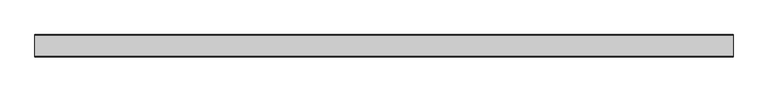
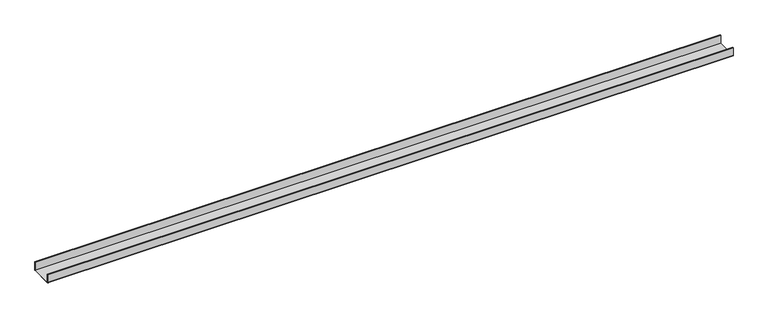
"""IFC4 building model written with IfcOpenShell, lengths in millimetres: proxy geometry."""

import ifcopenshell
import ifcopenshell.guid

model = None  # the IFC model being written
_history = None  # IfcOwnerHistory: only IFC2X3 demands one
_inside = {}  # id of a spatial element -> (the spatial element, [elements in it])
_under = {}  # id of a project, library or spatial element -> (it, [spatial elements below it])
_declared = {}  # id of a project -> (the project, [libraries it declares])
_typed = {}  # id of a type object -> (the type object, [elements of that type])
_made_of = {}  # id of a material, layer set ... -> (it, [elements and type objects made of it])


def new_model(schema):
    """Start an empty IFC model of exactly this schema.

    Asked for "IFC4X3", IfcOpenShell would pick the latest addendum, in which some entities
    have other attributes; the version numbers below select the first issue.
    IFC2X3 requires an IfcOwnerHistory on every rooted entity: one is made here for all.
    """
    global model, _history
    if schema == "IFC4X3":
        model = ifcopenshell.file(schema_version=(4, 3, 0, 0))
    else:
        model = ifcopenshell.file(schema=schema)
    _inside.clear()
    _under.clear()
    _declared.clear()
    _typed.clear()
    _made_of.clear()
    _history = None
    if model.schema == "IFC2X3":
        org = make("IfcOrganization", Name="unknown")
        user = make(
            "IfcPersonAndOrganization",
            ThePerson=make("IfcPerson", FamilyName="unknown"),
            TheOrganization=org,
        )
        app = make(
            "IfcApplication",
            ApplicationDeveloper=org,
            Version="unknown",
            ApplicationFullName="unknown",
            ApplicationIdentifier="unknown",
        )
        _history = make(
            "IfcOwnerHistory",
            OwningUser=user,
            OwningApplication=app,
            ChangeAction="ADDED",
            CreationDate=0,
        )
    return model


def make(cls, **values):
    """One entity of the class cls with the attributes given. An attribute that is None is left unset."""
    return model.create_entity(
        cls, **{name: value for name, value in values.items() if value is not None}
    )


def rooted(cls, **values):
    """An entity with a GlobalId (a new one), such as an element, a storey or a relation."""
    return make(cls, GlobalId=ifcopenshell.guid.new(), OwnerHistory=_history, **values)


def si_unit(unit_type, name, prefix=None):
    """IfcSIUnit, for example si_unit("LENGTHUNIT", "METRE", prefix="MILLI")."""
    return make("IfcSIUnit", UnitType=unit_type, Prefix=prefix, Name=name)


def assignment(units):
    """IfcUnitAssignment: the units of a project."""
    return None if units is None else make("IfcUnitAssignment", Units=units)


def point(xyz):
    """IfcCartesianPoint."""
    return None if xyz is None else make("IfcCartesianPoint", Coordinates=xyz)


def direction(xyz):
    """IfcDirection."""
    return None if xyz is None else make("IfcDirection", DirectionRatios=xyz)


def frame(location, z_axis=None, x_axis=None):
    """IfcAxis2Placement3D, a coordinate frame: its origin and axes. An axis left out is left unset."""
    return make(
        "IfcAxis2Placement3D",
        Location=point(location),
        Axis=direction(z_axis),
        RefDirection=direction(x_axis),
    )


def frame_2d(location, x_axis=None):
    """IfcAxis2Placement2D, a coordinate frame in the plane: its origin and x axis."""
    return make(
        "IfcAxis2Placement2D", Location=point(location), RefDirection=direction(x_axis)
    )


def origin():
    """The frame at (0, 0, 0) with its axes left unset."""
    return frame((0.0, 0.0, 0.0))


def place(relative_to, where):
    """IfcLocalPlacement: puts the frame where relative to a parent placement (None: the world)."""
    return make(
        "IfcLocalPlacement", PlacementRelTo=relative_to, RelativePlacement=where
    )


def context(
    kind, dimensions, precision=None, world=None, true_north=None, identifier=None
):
    """IfcGeometricRepresentationContext, for example the 3D "Model" context."""
    return make(
        "IfcGeometricRepresentationContext",
        ContextIdentifier=identifier,
        ContextType=kind,
        CoordinateSpaceDimension=dimensions,
        Precision=precision,
        WorldCoordinateSystem=world,
        TrueNorth=true_north,
    )


def project(units=None, contexts=None):
    """IfcProject with its units and contexts."""
    return rooted(
        "IfcProject",
        Name="project",
        RepresentationContexts=contexts,
        UnitsInContext=assignment(units),
    )


def spatial(cls, under=None, at=None, **own):
    """A site, building, storey or space (cls), placed at a placement, below another one or the project."""
    s = rooted(cls, ObjectPlacement=at, **own)
    if under is not None:
        _under.setdefault(under.id(), (under, []))[1].append(s)
    return s


def polyline(points):
    """IfcPolyline through the points."""
    return make("IfcPolyline", Points=[point(p) for p in points])


def circle_curve(where, radius):
    """IfcCircle in the frame where."""
    return make("IfcCircle", Position=where, Radius=radius)


def trimmed(basis, trim1, trim2, sense, master):
    """IfcTrimmedCurve: the piece of a basis curve between two trims."""
    return make(
        "IfcTrimmedCurve",
        BasisCurve=basis,
        Trim1=trim1,
        Trim2=trim2,
        SenseAgreement=sense,
        MasterRepresentation=master,
    )


def segment(curve, same_sense, transition):
    """IfcCompositeCurveSegment."""
    return make(
        "IfcCompositeCurveSegment",
        Transition=transition,
        SameSense=same_sense,
        ParentCurve=curve,
    )


def composite_curve(segments, self_intersect=None):
    """IfcCompositeCurve: segments joined end to end."""
    return make("IfcCompositeCurve", Segments=segments, SelfIntersect=self_intersect)


def outline(outer, holes=None, kind="AREA"):
    """IfcArbitraryClosedProfileDef: a profile drawn as a closed curve; with holes, ...WithVoids."""
    if holes is None:
        return make("IfcArbitraryClosedProfileDef", ProfileType=kind, OuterCurve=outer)
    return make(
        "IfcArbitraryProfileDefWithVoids",
        ProfileType=kind,
        OuterCurve=outer,
        InnerCurves=holes,
    )


def extrude(swept, where, along, depth):
    """IfcExtrudedAreaSolid: the profile swept, set in the frame where, extruded along a direction by depth."""
    return make(
        "IfcExtrudedAreaSolid",
        SweptArea=swept,
        Position=where,
        ExtrudedDirection=direction(along),
        Depth=depth,
    )


def shape(context_of_items, identifier, shape_type, items):
    """IfcShapeRepresentation: the items that make up one representation, for example the "Body"."""
    return make(
        "IfcShapeRepresentation",
        ContextOfItems=context_of_items,
        RepresentationIdentifier=identifier,
        RepresentationType=shape_type,
        Items=items,
    )


def source(mapping_origin, context_of_items, identifier, shape_type, items):
    """IfcRepresentationMap: a shape defined once, which mapped items show again and again."""
    return make(
        "IfcRepresentationMap",
        MappingOrigin=mapping_origin,
        MappedRepresentation=shape(context_of_items, identifier, shape_type, items),
    )


def transform(
    local_origin,
    x_axis=None,
    y_axis=None,
    z_axis=None,
    scale=None,
    scale2=None,
    scale3=None,
    uniform=True,
):
    """IfcCartesianTransformationOperator3D, or its non-uniform kind. x_axis, y_axis, z_axis: its Axis1, 2, 3."""
    if uniform:
        return make(
            "IfcCartesianTransformationOperator3D",
            Axis1=direction(x_axis),
            Axis2=direction(y_axis),
            LocalOrigin=point(local_origin),
            Scale=scale,
            Axis3=direction(z_axis),
        )
    return make(
        "IfcCartesianTransformationOperator3DnonUniform",
        Axis1=direction(x_axis),
        Axis2=direction(y_axis),
        LocalOrigin=point(local_origin),
        Scale=scale,
        Axis3=direction(z_axis),
        Scale2=scale2,
        Scale3=scale3,
    )


def mapped(mapping_source, mapping_target):
    """IfcMappedItem: shows the shape of a source again, moved by a transform."""
    return make(
        "IfcMappedItem", MappingSource=mapping_source, MappingTarget=mapping_target
    )


def made_of(thing, what):
    """Note that an element or type object is made of a material, layer set ...; save() writes the relation."""
    if what is not None:
        _made_of.setdefault(what.id(), (what, []))[1].append(thing)
    return thing


def element(
    cls,
    number,
    at=None,
    inside=None,
    cuts=None,
    type_object=None,
    material=None,
    context=None,
    identifier="Body",
    shape_type=None,
    held_by="IfcProductDefinitionShape",
    body=None,
    shapes=None,
    **own,
):
    """One element of the class cls, such as IfcWall. Its Tag is "e" and its number.

    at: its placement. inside: the storey or other place that contains it. cuts: it is an
    opening in that element (IfcRelVoidsElement). A single representation is given by context,
    identifier, shape_type and body (its items); several are given by shapes. held_by: the class
    of the entity that holds the representations. save() writes the other relations.
    """
    e = rooted(cls, Tag="e%d" % number, ObjectPlacement=at, **own)
    if body is not None:
        shapes = [shape(context, identifier, shape_type, body)]
    if shapes is not None:
        e.Representation = make(held_by, Representations=shapes)
    if inside is not None:
        _inside.setdefault(inside.id(), (inside, []))[1].append(e)
    if cuts is not None:
        rooted(
            "IfcRelVoidsElement", RelatingBuildingElement=cuts, RelatedOpeningElement=e
        )
    if type_object is not None:
        _typed.setdefault(type_object.id(), (type_object, []))[1].append(e)
    return made_of(e, material)


def aggregate(whole, parts):
    """IfcRelAggregates: a whole, such as a stair, and the parts it consists of."""
    return rooted("IfcRelAggregates", RelatingObject=whole, RelatedObjects=parts)


def save(model, path):
    """Write the relations noted so far, then the file.

    IfcRelAggregates (storeys below a building ...), IfcRelContainedInSpatialStructure (elements
    in a storey), IfcRelDefinesByType, IfcRelAssociatesMaterial and IfcRelDeclares: one each for
    every whole, place, type object, material and project.
    """
    for whole, parts in _under.values():
        aggregate(whole, parts)
    for where, things in _inside.values():
        rooted(
            "IfcRelContainedInSpatialStructure",
            RelatedElements=things,
            RelatingStructure=where,
        )
    for kind, things in _typed.values():
        rooted("IfcRelDefinesByType", RelatedObjects=things, RelatingType=kind)
    for what, things in _made_of.values():
        rooted("IfcRelAssociatesMaterial", RelatedObjects=things, RelatingMaterial=what)
    for by, libraries in _declared.values():
        rooted("IfcRelDeclares", RelatingContext=by, RelatedDefinitions=libraries)
    model.write(path)


def generic_models_b1deec1d(model_context):
    return source(origin(), model_context, "Body", "SweptSolid", [
        extrude(outline(composite_curve([segment(polyline([(-50.5, 2.0), (-50.5, 40.0), (-48.5, 40.0), (-48.5, 2.0), (48.5, 2.0), (48.5, 40.0), (50.5, 40.0), (50.5, 2.0)]), True, "CONTINUOUS"), segment(trimmed(circle_curve(frame_2d((48.5, 2.0)), 2.0), [point((50.5, 2.0))], [point((48.5, 0.0))], False, "CARTESIAN"), True, "CONTINUOUS"), segment(polyline([(48.5, 0.0), (-48.5, 0.0)]), True, "CONTINUOUS"), segment(trimmed(circle_curve(frame_2d((-48.5, 2.0)), 2.0), [point((-48.5, 0.0))], [point((-50.5, 2.0))], False, "CARTESIAN"), True, "CONTINUOUS")], self_intersect=False)), frame((0.0, 0.0, 0.0), z_axis=(1.0, 0.0, 0.0), x_axis=(0.0, 1.0, 0.0)), (0.0, 0.0, 1.0), 3133.5734332),
    ])


if __name__ == "__main__":
    model = new_model("IFC4")
    model_context = context("Model", 3, world=origin())
    ifc_project = project(units=[si_unit("LENGTHUNIT", "METRE", prefix="MILLI")], contexts=[model_context])
    site = spatial("IfcSite", under=ifc_project)
    building = spatial("IfcBuilding", under=site)
    placement = place(None, origin())
    generic_models_shape = generic_models_b1deec1d(model_context)
    element("IfcBuildingElementProxy", 1, Name="Generic Models", at=placement, inside=building, context=model_context, shape_type="MappedRepresentation", body=[
        mapped(generic_models_shape, transform((0.0, 0.0, 0.0), x_axis=(1.0, 0.0, 0.0), y_axis=(0.0, 1.0, 0.0), z_axis=(0.0, 0.0, 1.0))),
    ])
    save(model, "model.ifc")
